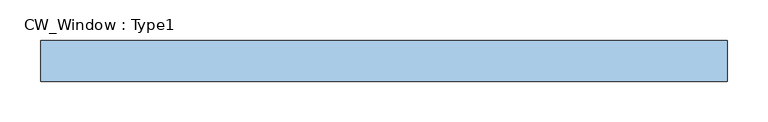
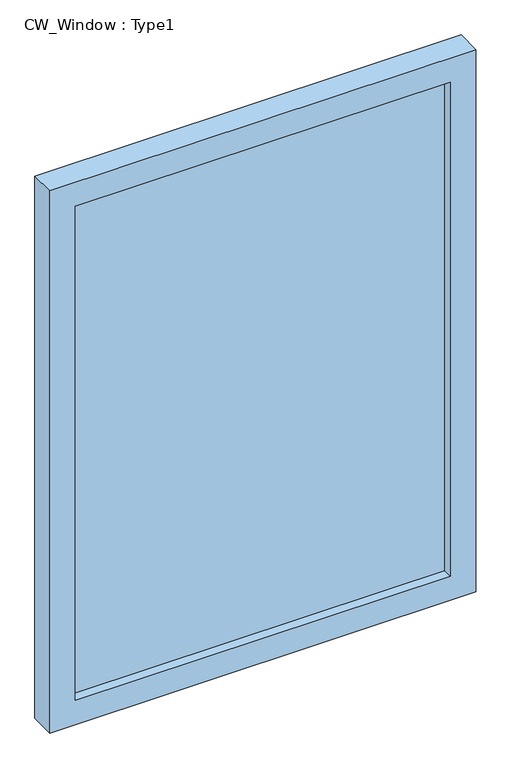
"""IFC4 building model written with IfcOpenShell, lengths in millimetres: window geometry, CW_Window : Type1."""

from ifc_helpers import new_model, si_unit, frame, origin, place, context, project, spatial, polyline, outline, extrude, source, transform, mapped, element, save


def cw_window_type1_436df613(model_context):
    return source(origin(), model_context, "Body", "SweptSolid", [
        extrude(outline(polyline([(1140.8833333, -423.8625), (0.0, -423.8625), (0.0, 423.8625), (1140.8833333, 423.8625), (1140.8833333, -423.8625)]), holes=[polyline([(1090.0833333, -373.0625), (1090.0833333, 373.0625), (50.8, 373.0625), (50.8, -373.0625), (1090.0833333, -373.0625)])]), frame((0.0, -50.8, 0.0), z_axis=(0.0, 1.0, 0.0), x_axis=(0.0, 0.0, 1.0)), (0.0, 0.0, 1.0), 50.8),
        extrude(outline(polyline([(373.0625, -31.75), (-373.0625, -31.75), (-373.0625, -19.05), (373.0625, -19.05), (373.0625, -31.75)])), frame((0.0, 0.0, 50.8), z_axis=(0.0, 0.0, 1.0), x_axis=(1.0, 0.0, 0.0)), (0.0, 0.0, 1.0), 1039.2833333),
    ])


if __name__ == "__main__":
    model = new_model("IFC4")
    model_context = context("Model", 3, world=origin())
    ifc_project = project(units=[si_unit("LENGTHUNIT", "METRE", prefix="MILLI")], contexts=[model_context])
    site = spatial("IfcSite", under=ifc_project)
    building = spatial("IfcBuilding", under=site)
    placement = place(None, origin())
    cw_window_type1_shape = cw_window_type1_436df613(model_context)
    element("IfcWindow", 1, ObjectType="CW_Window : Type1", at=placement, inside=building, context=model_context, shape_type="MappedRepresentation", body=[
        mapped(cw_window_type1_shape, transform((0.0, 0.0, 0.0), x_axis=(1.0, 0.0, 0.0), y_axis=(0.0, 1.0, 0.0), z_axis=(0.0, 0.0, 1.0))),
    ])
    save(model, "model.ifc")
